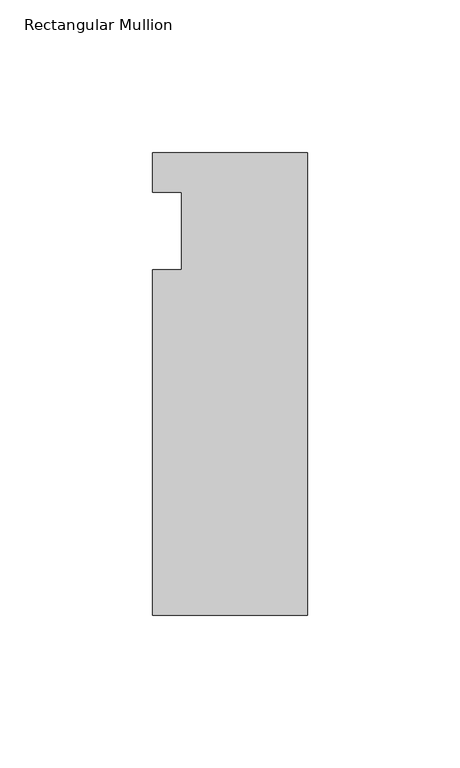
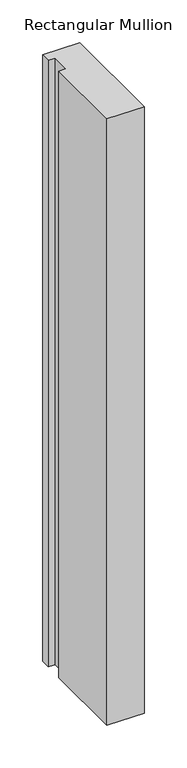
"""IFC4 building model written with IfcOpenShell, lengths in millimetres: member geometry, Rectangular Mullion."""

import ifcopenshell
import ifcopenshell.guid

model = None  # the IFC model being written
_history = None  # IfcOwnerHistory: only IFC2X3 demands one
_inside = {}  # id of a spatial element -> (the spatial element, [elements in it])
_under = {}  # id of a project, library or spatial element -> (it, [spatial elements below it])
_declared = {}  # id of a project -> (the project, [libraries it declares])
_typed = {}  # id of a type object -> (the type object, [elements of that type])
_made_of = {}  # id of a material, layer set ... -> (it, [elements and type objects made of it])


def new_model(schema):
    """Start an empty IFC model of exactly this schema.

    Asked for "IFC4X3", IfcOpenShell would pick the latest addendum, in which some entities
    have other attributes; the version numbers below select the first issue.
    IFC2X3 requires an IfcOwnerHistory on every rooted entity: one is made here for all.
    """
    global model, _history
    if schema == "IFC4X3":
        model = ifcopenshell.file(schema_version=(4, 3, 0, 0))
    else:
        model = ifcopenshell.file(schema=schema)
    _inside.clear()
    _under.clear()
    _declared.clear()
    _typed.clear()
    _made_of.clear()
    _history = None
    if model.schema == "IFC2X3":
        org = make("IfcOrganization", Name="unknown")
        user = make(
            "IfcPersonAndOrganization",
            ThePerson=make("IfcPerson", FamilyName="unknown"),
            TheOrganization=org,
        )
        app = make(
            "IfcApplication",
            ApplicationDeveloper=org,
            Version="unknown",
            ApplicationFullName="unknown",
            ApplicationIdentifier="unknown",
        )
        _history = make(
            "IfcOwnerHistory",
            OwningUser=user,
            OwningApplication=app,
            ChangeAction="ADDED",
            CreationDate=0,
        )
    return model


def make(cls, **values):
    """One entity of the class cls with the attributes given. An attribute that is None is left unset."""
    return model.create_entity(
        cls, **{name: value for name, value in values.items() if value is not None}
    )


def rooted(cls, **values):
    """An entity with a GlobalId (a new one), such as an element, a storey or a relation."""
    return make(cls, GlobalId=ifcopenshell.guid.new(), OwnerHistory=_history, **values)


def si_unit(unit_type, name, prefix=None):
    """IfcSIUnit, for example si_unit("LENGTHUNIT", "METRE", prefix="MILLI")."""
    return make("IfcSIUnit", UnitType=unit_type, Prefix=prefix, Name=name)


def assignment(units):
    """IfcUnitAssignment: the units of a project."""
    return None if units is None else make("IfcUnitAssignment", Units=units)


def point(xyz):
    """IfcCartesianPoint."""
    return None if xyz is None else make("IfcCartesianPoint", Coordinates=xyz)


def direction(xyz):
    """IfcDirection."""
    return None if xyz is None else make("IfcDirection", DirectionRatios=xyz)


def frame(location, z_axis=None, x_axis=None):
    """IfcAxis2Placement3D, a coordinate frame: its origin and axes. An axis left out is left unset."""
    return make(
        "IfcAxis2Placement3D",
        Location=point(location),
        Axis=direction(z_axis),
        RefDirection=direction(x_axis),
    )


def origin():
    """The frame at (0, 0, 0) with its axes left unset."""
    return frame((0.0, 0.0, 0.0))


def place(relative_to, where):
    """IfcLocalPlacement: puts the frame where relative to a parent placement (None: the world)."""
    return make(
        "IfcLocalPlacement", PlacementRelTo=relative_to, RelativePlacement=where
    )


def context(
    kind, dimensions, precision=None, world=None, true_north=None, identifier=None
):
    """IfcGeometricRepresentationContext, for example the 3D "Model" context."""
    return make(
        "IfcGeometricRepresentationContext",
        ContextIdentifier=identifier,
        ContextType=kind,
        CoordinateSpaceDimension=dimensions,
        Precision=precision,
        WorldCoordinateSystem=world,
        TrueNorth=true_north,
    )


def project(units=None, contexts=None):
    """IfcProject with its units and contexts."""
    return rooted(
        "IfcProject",
        Name="project",
        RepresentationContexts=contexts,
        UnitsInContext=assignment(units),
    )


def spatial(cls, under=None, at=None, **own):
    """A site, building, storey or space (cls), placed at a placement, below another one or the project."""
    s = rooted(cls, ObjectPlacement=at, **own)
    if under is not None:
        _under.setdefault(under.id(), (under, []))[1].append(s)
    return s


def polyline(points):
    """IfcPolyline through the points."""
    return make("IfcPolyline", Points=[point(p) for p in points])


def outline(outer, holes=None, kind="AREA"):
    """IfcArbitraryClosedProfileDef: a profile drawn as a closed curve; with holes, ...WithVoids."""
    if holes is None:
        return make("IfcArbitraryClosedProfileDef", ProfileType=kind, OuterCurve=outer)
    return make(
        "IfcArbitraryProfileDefWithVoids",
        ProfileType=kind,
        OuterCurve=outer,
        InnerCurves=holes,
    )


def extrude(swept, where, along, depth):
    """IfcExtrudedAreaSolid: the profile swept, set in the frame where, extruded along a direction by depth."""
    return make(
        "IfcExtrudedAreaSolid",
        SweptArea=swept,
        Position=where,
        ExtrudedDirection=direction(along),
        Depth=depth,
    )


def shape(context_of_items, identifier, shape_type, items):
    """IfcShapeRepresentation: the items that make up one representation, for example the "Body"."""
    return make(
        "IfcShapeRepresentation",
        ContextOfItems=context_of_items,
        RepresentationIdentifier=identifier,
        RepresentationType=shape_type,
        Items=items,
    )


def source(mapping_origin, context_of_items, identifier, shape_type, items):
    """IfcRepresentationMap: a shape defined once, which mapped items show again and again."""
    return make(
        "IfcRepresentationMap",
        MappingOrigin=mapping_origin,
        MappedRepresentation=shape(context_of_items, identifier, shape_type, items),
    )


def transform(
    local_origin,
    x_axis=None,
    y_axis=None,
    z_axis=None,
    scale=None,
    scale2=None,
    scale3=None,
    uniform=True,
):
    """IfcCartesianTransformationOperator3D, or its non-uniform kind. x_axis, y_axis, z_axis: its Axis1, 2, 3."""
    if uniform:
        return make(
            "IfcCartesianTransformationOperator3D",
            Axis1=direction(x_axis),
            Axis2=direction(y_axis),
            LocalOrigin=point(local_origin),
            Scale=scale,
            Axis3=direction(z_axis),
        )
    return make(
        "IfcCartesianTransformationOperator3DnonUniform",
        Axis1=direction(x_axis),
        Axis2=direction(y_axis),
        LocalOrigin=point(local_origin),
        Scale=scale,
        Axis3=direction(z_axis),
        Scale2=scale2,
        Scale3=scale3,
    )


def mapped(mapping_source, mapping_target):
    """IfcMappedItem: shows the shape of a source again, moved by a transform."""
    return make(
        "IfcMappedItem", MappingSource=mapping_source, MappingTarget=mapping_target
    )


def made_of(thing, what):
    """Note that an element or type object is made of a material, layer set ...; save() writes the relation."""
    if what is not None:
        _made_of.setdefault(what.id(), (what, []))[1].append(thing)
    return thing


def element(
    cls,
    number,
    at=None,
    inside=None,
    cuts=None,
    type_object=None,
    material=None,
    context=None,
    identifier="Body",
    shape_type=None,
    held_by="IfcProductDefinitionShape",
    body=None,
    shapes=None,
    **own,
):
    """One element of the class cls, such as IfcWall. Its Tag is "e" and its number.

    at: its placement. inside: the storey or other place that contains it. cuts: it is an
    opening in that element (IfcRelVoidsElement). A single representation is given by context,
    identifier, shape_type and body (its items); several are given by shapes. held_by: the class
    of the entity that holds the representations. save() writes the other relations.
    """
    e = rooted(cls, Tag="e%d" % number, ObjectPlacement=at, **own)
    if body is not None:
        shapes = [shape(context, identifier, shape_type, body)]
    if shapes is not None:
        e.Representation = make(held_by, Representations=shapes)
    if inside is not None:
        _inside.setdefault(inside.id(), (inside, []))[1].append(e)
    if cuts is not None:
        rooted(
            "IfcRelVoidsElement", RelatingBuildingElement=cuts, RelatedOpeningElement=e
        )
    if type_object is not None:
        _typed.setdefault(type_object.id(), (type_object, []))[1].append(e)
    return made_of(e, material)


def aggregate(whole, parts):
    """IfcRelAggregates: a whole, such as a stair, and the parts it consists of."""
    return rooted("IfcRelAggregates", RelatingObject=whole, RelatedObjects=parts)


def save(model, path):
    """Write the relations noted so far, then the file.

    IfcRelAggregates (storeys below a building ...), IfcRelContainedInSpatialStructure (elements
    in a storey), IfcRelDefinesByType, IfcRelAssociatesMaterial and IfcRelDeclares: one each for
    every whole, place, type object, material and project.
    """
    for whole, parts in _under.values():
        aggregate(whole, parts)
    for where, things in _inside.values():
        rooted(
            "IfcRelContainedInSpatialStructure",
            RelatedElements=things,
            RelatingStructure=where,
        )
    for kind, things in _typed.values():
        rooted("IfcRelDefinesByType", RelatedObjects=things, RelatingType=kind)
    for what, things in _made_of.values():
        rooted("IfcRelAssociatesMaterial", RelatedObjects=things, RelatingMaterial=what)
    for by, libraries in _declared.values():
        rooted("IfcRelDeclares", RelatingContext=by, RelatedDefinitions=libraries)
    model.write(path)


def rectangular_mullion_b9d4b07a(model_context):
    return source(origin(), model_context, "Body", "SweptSolid", [
        extrude(outline(polyline([(-50.8, 25.7961253), (0.0, 25.7961253), (0.0, -125.8036906), (-50.8, -125.8036906), (-50.8, -12.7), (-41.275, -12.7), (-41.275, 12.7), (-50.8, 12.7), (-50.8, 25.7961253)])), frame((0.0, 0.0, -870.9014763), z_axis=(0.0, 0.0, 1.0), x_axis=(1.0, 0.0, 0.0)), (0.0, 0.0, 1.0), 870.9014763),
    ])


if __name__ == "__main__":
    model = new_model("IFC4")
    model_context = context("Model", 3, world=origin())
    ifc_project = project(units=[si_unit("LENGTHUNIT", "METRE", prefix="MILLI")], contexts=[model_context])
    site = spatial("IfcSite", under=ifc_project)
    building = spatial("IfcBuilding", under=site)
    placement = place(None, origin())
    rectangular_mullion_shape = rectangular_mullion_b9d4b07a(model_context)
    element("IfcMember", 1, ObjectType="Rectangular Mullion", at=placement, inside=building, context=model_context, shape_type="MappedRepresentation", body=[
        mapped(rectangular_mullion_shape, transform((0.0, 0.0, 0.0), x_axis=(1.0, 0.0, 0.0), y_axis=(0.0, 1.0, 0.0), z_axis=(0.0, 0.0, 1.0))),
    ])
    save(model, "model.ifc")
